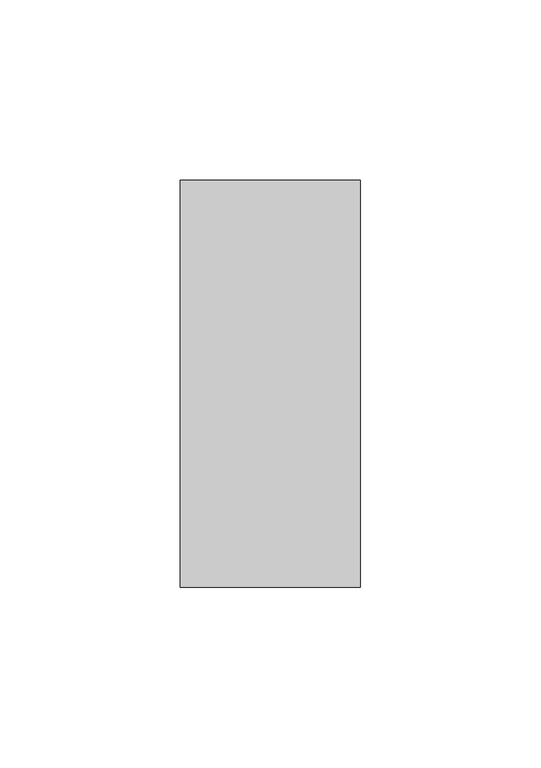
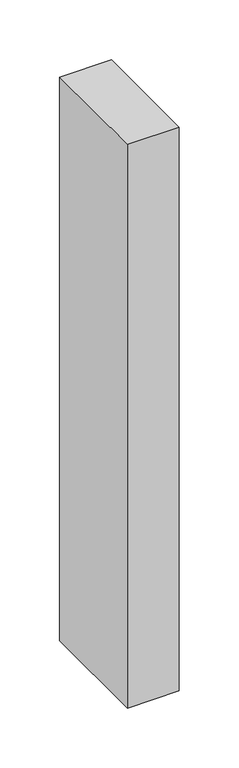
"""IFC4 building model written with IfcOpenShell, lengths in millimetres: member geometry."""

from ifc_helpers import new_model, si_unit, frame, origin, place, context, project, spatial, polyline, outline, extrude, source, transform, mapped, element, save


def member_50920f73(model_context):
    return source(origin(), model_context, "Body", "SweptSolid", [
        extrude(outline(polyline([(0.0, -22.0), (-50.0, -22.0), (-50.0, 91.0), (0.0, 91.0), (0.0, -22.0)])), frame((0.0, 0.0, -575.0), z_axis=(0.0, 0.0, 1.0), x_axis=(1.0, 0.0, 0.0)), (0.0, 0.0, 1.0), 575.0),
    ])


if __name__ == "__main__":
    model = new_model("IFC4")
    model_context = context("Model", 3, world=origin())
    ifc_project = project(units=[si_unit("LENGTHUNIT", "METRE", prefix="MILLI")], contexts=[model_context])
    site = spatial("IfcSite", under=ifc_project)
    building = spatial("IfcBuilding", under=site)
    placement = place(None, origin())
    member_shape = member_50920f73(model_context)
    element("IfcMember", 1, at=placement, inside=building, context=model_context, shape_type="MappedRepresentation", body=[
        mapped(member_shape, transform((0.0, 0.0, 0.0), x_axis=(1.0, 0.0, 0.0), y_axis=(0.0, 1.0, 0.0), z_axis=(0.0, 0.0, 1.0))),
    ])
    save(model, "model.ifc")
